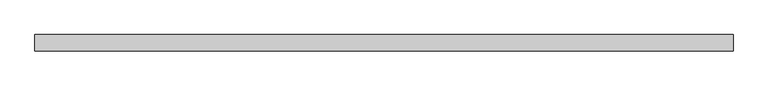
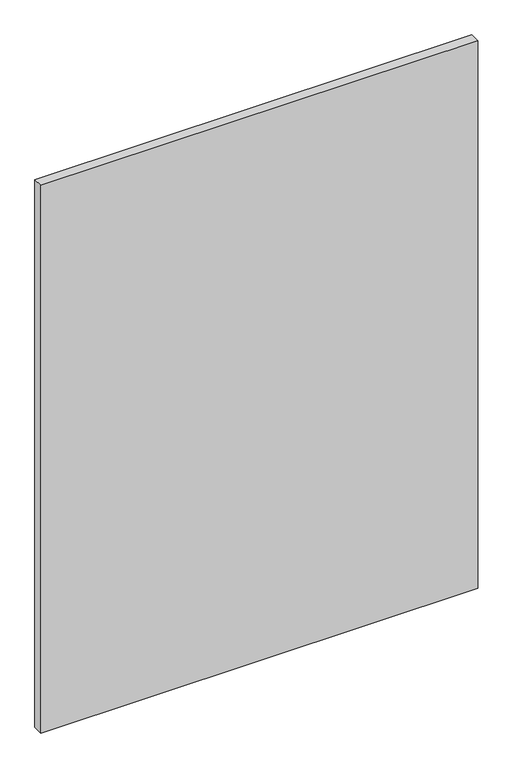
"""IFC4 building model written with IfcOpenShell, lengths in millimetres: plate geometry."""

from ifc_helpers import new_model, si_unit, origin, origin_with_axes, place, context, project, spatial, polyline, outline, extrude, source, transform, mapped, element, save


def plate_7177fbfc(model_context):
    return source(origin(), model_context, "Body", "SweptSolid", [
        extrude(outline(polyline([(537.5, -12.5), (-537.5, -12.5), (-537.5, 12.5), (537.5, 12.5), (537.5, -12.5)])), origin_with_axes(), (0.0, 0.0, 1.0), 1425.0),
    ])


if __name__ == "__main__":
    model = new_model("IFC4")
    model_context = context("Model", 3, world=origin())
    ifc_project = project(units=[si_unit("LENGTHUNIT", "METRE", prefix="MILLI")], contexts=[model_context])
    site = spatial("IfcSite", under=ifc_project)
    building = spatial("IfcBuilding", under=site)
    placement = place(None, origin())
    plate_shape = plate_7177fbfc(model_context)
    element("IfcPlate", 1, at=placement, inside=building, context=model_context, shape_type="MappedRepresentation", body=[
        mapped(plate_shape, transform((0.0, 0.0, 0.0), x_axis=(1.0, 0.0, 0.0), y_axis=(0.0, 1.0, 0.0), z_axis=(0.0, 0.0, 1.0))),
    ])
    save(model, "model.ifc")
